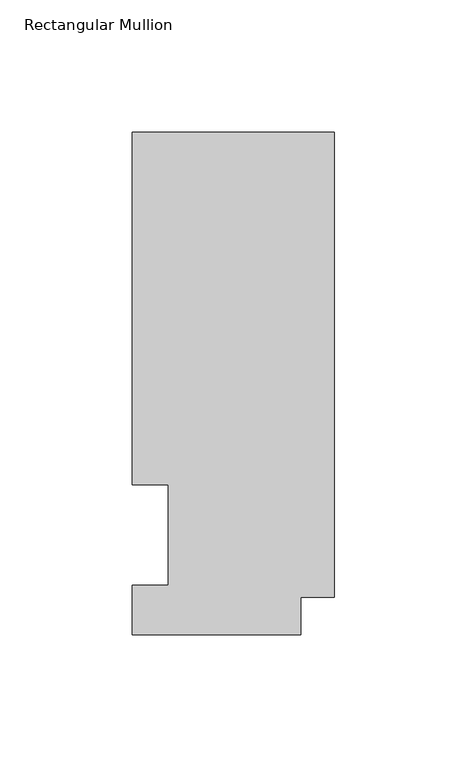
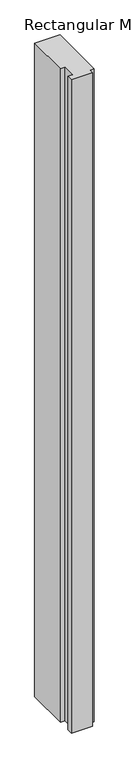
"""IFC4 building model written with IfcOpenShell, lengths in millimetres: member geometry, Rectangular Mullion."""

from ifc_helpers import new_model, si_unit, frame, origin, place, context, project, spatial, polyline, outline, extrude, source, transform, mapped, element, save


def rectangular_mullion_c2cac10d(model_context):
    return source(origin(), model_context, "Body", "SweptSolid", [
        extrude(outline(polyline([(0.0, 189.6483063), (0.0, 14.2613062), (-12.7016245, 14.2613062), (-12.7016245, 0.0627063), (-76.2, 0.0627063), (-76.2, 18.6047062), (-62.7126, 18.6047062), (-62.7126, 56.6539063), (-76.2, 56.6539063), (-76.2, 189.6483063), (0.0, 189.6483063)])), frame((0.0, 0.0, -2057.4), z_axis=(0.0, 0.0, 1.0), x_axis=(1.0, 0.0, 0.0)), (0.0, 0.0, 1.0), 2057.4),
    ])


if __name__ == "__main__":
    model = new_model("IFC4")
    model_context = context("Model", 3, world=origin())
    ifc_project = project(units=[si_unit("LENGTHUNIT", "METRE", prefix="MILLI")], contexts=[model_context])
    site = spatial("IfcSite", under=ifc_project)
    building = spatial("IfcBuilding", under=site)
    placement = place(None, origin())
    rectangular_mullion_shape = rectangular_mullion_c2cac10d(model_context)
    element("IfcMember", 1, ObjectType="Rectangular Mullion", at=placement, inside=building, context=model_context, shape_type="MappedRepresentation", body=[
        mapped(rectangular_mullion_shape, transform((0.0, 0.0, 0.0), x_axis=(1.0, 0.0, 0.0), y_axis=(0.0, 1.0, 0.0), z_axis=(0.0, 0.0, 1.0))),
    ])
    save(model, "model.ifc")
